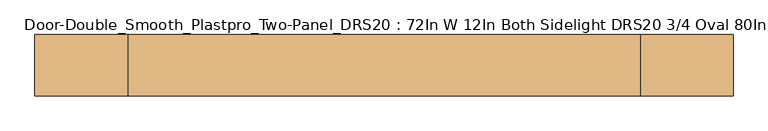
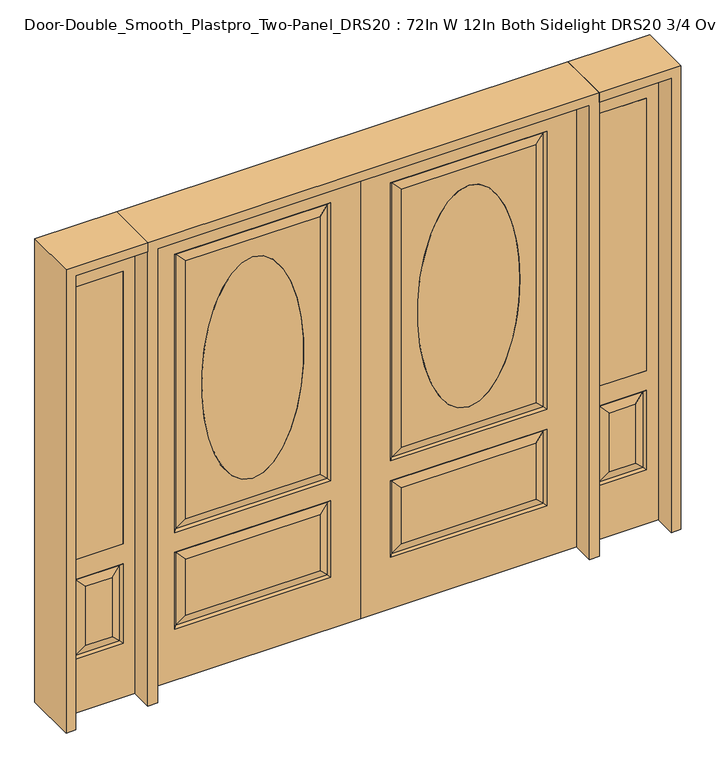
"""IFC4 building model written with IfcOpenShell, lengths in millimetres: door geometry, Door-Double_Smooth_Plastpro_Two-Panel_DRS20 : 72In W 12In Both Sidelight DRS20 3/4 Oval 80In - Smooth."""

from ifc_helpers import new_model, si_unit, point, frame, origin, place, context, project, spatial, polyline, ellipse_curve, trimmed, outline, extrude, faceted_brep, source, transform, mapped, element, save
from ifc_brep_helpers import plane_surface, extruded_surface, advanced_brep


def door_double_smooth_plastpro_two_panel_drs20_72in_w_12in_both_62e0e6ac(model_context):
    return source(origin(), model_context, "Body", "SolidModel", [
        advanced_brep(
        [(-457.2, 20.6375, 1778.0), (-457.2, 20.6375, 787.4), (-457.2, -20.6375, 1778.0), (-457.2, -20.6375, 787.4)],
        [
            (0, 1, ellipse_curve(frame((-457.2, 20.6375, 1282.7), z_axis=(0.0, 1.0, 0.0), x_axis=(0.0, 0.0, -1.0)), 495.3, 215.9)),
            (1, 0, ellipse_curve(frame((-457.2, 20.6375, 1282.7), z_axis=(0.0, 1.0, 0.0), x_axis=(0.0, 0.0, -1.0)), 495.3, 215.9)),
            (2, 3, ellipse_curve(frame((-457.2, -20.6375, 1282.7), z_axis=(0.0, -1.0, 0.0), x_axis=(0.0, 0.0, -1.0)), 495.3, 215.9)),
            (3, 2, ellipse_curve(frame((-457.2, -20.6375, 1282.7), z_axis=(0.0, -1.0, 0.0), x_axis=(0.0, 0.0, -1.0)), 495.3, 215.9)),
            (3, 1),
            (0, 2),
        ],
        [
            plane_surface(frame((-457.2, 20.6375, 787.4), z_axis=(0.0, 1.0, 0.0), x_axis=(1.0, 0.0, 0.0))),
            plane_surface(frame((-457.2, -20.6375, 787.4), z_axis=(0.0, -1.0, 0.0), x_axis=(-1.0, 0.0, 0.0))),
            extruded_surface(trimmed(ellipse_curve(frame((-457.2, 20.6375, 1282.7), z_axis=(0.0, 1.0, 0.0), x_axis=(0.0, 0.0, -1.0)), 495.3, 215.9), [point((-457.2, 20.6375, 1778.0))], [point((-457.2, 20.6375, 787.4))], True, "CARTESIAN"), (0.0, 41.275000000000006, 0.0), 41.275000000000006),
            extruded_surface(trimmed(ellipse_curve(frame((-457.2, 20.6375, 1282.7), z_axis=(0.0, 1.0, 0.0), x_axis=(0.0, 0.0, -1.0)), 495.3, 215.9), [point((-457.2, 20.6375, 787.4))], [point((-457.2, 20.6375, 1778.0))], True, "CARTESIAN"), (0.0, 41.275000000000006, 0.0), 41.275000000000006),
        ],
        [
            (0, [[1, 2]]),
            (1, [[3, 4]]),
            (2, [[5, -1, 6, -4]]),
            (3, [[-6, -2, -5, -3]]),
        ],
    ),
        advanced_brep(
        [(-127.0, -20.6375, 228.6), (-127.0, -20.6375, 571.5), (-135.9802561, -11.6572439, 562.5197439), (-135.9802561, -11.6572439, 237.5802561), (-778.4197439, -11.6572439, 237.5802561), (-787.4, -20.6375, 228.6), (-914.4, 20.6375, 0.0), (0.0, 20.6375, 0.0), (0.0, -20.6375, 0.0), (-914.4, -20.6375, 0.0), (-914.4, -20.6375, 2032.0), (0.0, -20.6375, 2032.0), (-787.4, -20.6375, 660.4), (-787.4, -20.6375, 1905.0), (-127.0, -20.6375, 1905.0), (-127.0, -20.6375, 660.4), (-787.4, -20.6375, 571.5), (-173.0375, -20.6375, 274.6375), (-173.0375, -20.6375, 525.4625), (-741.3625, -20.6375, 525.4625), (-741.3625, -20.6375, 274.6375), (-173.0375, -20.6375, 706.4375), (-173.0375, -20.6375, 1858.9625), (-741.3625, -20.6375, 1858.9625), (-741.3625, -20.6375, 706.4375), (-457.2, -20.6375, 787.4), (-457.2, -20.6375, 1778.0), (-127.0, 20.6375, 1905.0), (-127.0, 20.6375, 660.4), (-135.9802561, 11.6572439, 669.3802561), (-135.9802561, 11.6572439, 1896.0197439), (-787.4, 20.6375, 660.4), (-778.4197439, 11.6572439, 669.3802561), (-778.4197439, 11.6572439, 1896.0197439), (-787.4, 20.6375, 1905.0), (-741.3625, 20.6375, 1858.9625), (-741.3625, 20.6375, 706.4375), (-173.0375, 20.6375, 706.4375), (-173.0375, 20.6375, 1858.9625), (-778.4197439, 11.6572439, 562.5197439), (-787.4, 20.6375, 571.5), (-127.0, 20.6375, 571.5), (-135.9802561, 11.6572439, 562.5197439), (-741.3625, 20.6375, 525.4625), (-741.3625, 20.6375, 274.6375), (-778.4197439, 11.6572439, 237.5802561), (-135.9802561, 11.6572439, 237.5802561), (-173.0375, 20.6375, 274.6375), (-173.0375, 20.6375, 525.4625), (-457.2, 20.6375, 1778.0), (-457.2, 20.6375, 787.4), (-135.9802561, -11.6572439, 1896.0197439), (-135.9802561, -11.6572439, 669.3802561), (-914.4, 20.6375, 2032.0), (0.0, 20.6375, 2032.0), (-787.4, 20.6375, 228.6), (-127.0, 20.6375, 228.6), (-778.4197439, -11.6572439, 669.3802561), (-778.4197439, -11.6572439, 1896.0197439), (-778.4197439, -11.6572439, 562.5197439)],
        [
            (0, 1),
            (1, 2),
            (2, 3),
            (3, 0),
            (4, 5),
            (5, 0),
            (3, 4),
            (6, 7),
            (7, 8),
            (8, 9),
            (9, 6),
            (10, 9),
            (8, 11),
            (11, 10),
            (12, 13),
            (13, 14),
            (14, 15),
            (15, 12),
            (5, 16),
            (16, 1),
            (17, 18),
            (18, 19),
            (19, 20),
            (20, 17),
            (21, 22),
            (22, 23),
            (23, 24),
            (24, 21),
            (25, 26, ellipse_curve(frame((-457.2, -20.6375, 1282.7), z_axis=(0.0, 1.0, 0.0), x_axis=(0.0, 0.0, -1.0)), 495.3, 215.9)),
            (26, 25, ellipse_curve(frame((-457.2, -20.6375, 1282.7), z_axis=(0.0, 1.0, 0.0), x_axis=(0.0, 0.0, -1.0)), 495.3, 215.9)),
            (27, 28),
            (28, 29),
            (29, 30),
            (30, 27),
            (28, 31),
            (31, 32),
            (32, 29),
            (33, 32),
            (31, 34),
            (34, 33),
            (35, 36),
            (36, 32),
            (33, 35),
            (36, 37),
            (37, 29),
            (37, 38),
            (38, 30),
            (39, 40),
            (40, 41),
            (41, 42),
            (42, 39),
            (43, 44),
            (44, 45),
            (45, 39),
            (39, 43),
            (42, 46),
            (46, 47),
            (47, 48),
            (48, 42),
            (26, 49),
            (49, 50, ellipse_curve(frame((-457.2, 20.6375, 1282.7), z_axis=(0.0, 1.0, 0.0), x_axis=(0.0, 0.0, -1.0)), 495.3, 215.9)),
            (50, 25),
            (14, 51),
            (51, 52),
            (52, 15),
            (51, 22),
            (21, 52),
            (53, 6),
            (10, 53),
            (7, 54),
            (54, 11),
            (53, 54),
            (40, 55),
            (55, 56),
            (56, 41),
            (27, 34),
            (47, 44),
            (43, 48),
            (35, 38),
            (49, 50, ellipse_curve(frame((-457.2, 20.6375, 1282.7), z_axis=(0.0, -1.0, 0.0), x_axis=(0.0, 0.0, -1.0)), 495.3, 215.9)),
            (56, 46),
            (55, 45),
            (45, 46),
            (57, 12),
            (52, 57),
            (57, 58),
            (58, 13),
            (24, 57),
            (23, 58),
            (16, 59),
            (59, 2),
            (4, 59),
            (3, 17),
            (20, 4),
            (19, 59),
            (18, 2),
            (58, 51),
            (30, 33),
        ],
        [
            plane_surface(frame((-127.0, -20.6375, 228.6), z_axis=(-0.7071067811865462, -0.7071067811865489, 0.0), x_axis=(0.0, 0.0, 1.0))),
            plane_surface(frame((-787.4, -20.6375, 228.6), z_axis=(0.0, -0.7071067811865489, 0.7071067811865462), x_axis=(1.0, 0.0, 0.0))),
            plane_surface(frame((0.0, 20.6375, 0.0), z_axis=(0.0, 0.0, -1.0), x_axis=(-1.0, 0.0, 0.0))),
            plane_surface(frame((0.0, -20.6375, 2032.0), z_axis=(0.0, -1.0, 0.0), x_axis=(0.0, 0.0, -1.0))),
            plane_surface(frame((-127.0, 20.6375, 1905.0), z_axis=(-0.7071067811865436, 0.7071067811865516, 0.0), x_axis=(0.0, 0.0, -1.0))),
            plane_surface(frame((-127.0, 20.6375, 660.4), z_axis=(0.0, 0.7071067811865516, 0.7071067811865436), x_axis=(-1.0, 0.0, 0.0))),
            plane_surface(frame((-787.4, 20.6375, 660.4), z_axis=(0.7071067811865436, 0.7071067811865516, 0.0), x_axis=(0.0, 0.0, 1.0))),
            plane_surface(frame((-778.4197439, 11.6572439, 669.3802561), z_axis=(-0.2355178326930706, 0.9718700275672457, 0.0), x_axis=(0.0, 0.0, 1.0))),
            plane_surface(frame((-135.9802561, 11.6572439, 669.3802561), z_axis=(0.0, 0.9718700275672457, -0.2355178326930706), x_axis=(-1.0, 0.0, 0.0))),
            plane_surface(frame((-135.9802561, 11.6572439, 1896.0197439), z_axis=(0.2355178326930706, 0.9718700275672457, 0.0), x_axis=(0.0, 0.0, -1.0))),
            plane_surface(frame((-787.4, 20.6375, 571.5), z_axis=(0.0, 0.7071067811865542, -0.7071067811865409), x_axis=(1.0, 0.0, 0.0))),
            plane_surface(frame((-778.4197439, 11.6572439, 237.5802561), z_axis=(-0.2355178326930706, 0.9718700275672457, 0.0), x_axis=(0.0, 0.0, 1.0))),
            plane_surface(frame((-135.9802561, 11.6572439, 562.5197439), z_axis=(0.2355178326930706, 0.9718700275672457, 0.0), x_axis=(0.0, 0.0, -1.0))),
            extruded_surface(trimmed(ellipse_curve(frame((-457.2, 61.9125, 1282.7), z_axis=(0.0, 1.0, 0.0), x_axis=(0.0, 0.0, -1.0)), 495.3, 215.9), [point((-457.2, 61.9125, 1778.0))], [point((-457.2, 61.9125, 787.4))], True, "CARTESIAN"), (0.0, -41.275000000000006, 0.0), 41.275000000000006),
            plane_surface(frame((-127.0, -20.6375, 660.4), z_axis=(-0.7071067811865486, -0.7071067811865466, 0.0), x_axis=(0.0, 0.0, 1.0))),
            plane_surface(frame((-135.9802561, -11.6572439, 669.3802561), z_axis=(0.23551783269307167, -0.9718700275672454, 0.0), x_axis=(0.0, 0.0, 1.0))),
            plane_surface(frame((-914.4, -20.6375, 2032.0), z_axis=(-1.0, 0.0, 0.0), x_axis=(0.0, 0.0, -1.0))),
            plane_surface(frame((0.0, 20.6375, 2032.0), z_axis=(1.0, 0.0, 0.0), x_axis=(0.0, 0.0, -1.0))),
            plane_surface(frame((-914.4, 20.6375, 2032.0), z_axis=(0.0, 1.0, 0.0), x_axis=(0.0, 0.0, -1.0))),
            plane_surface(frame((-127.0, 20.6375, 571.5), z_axis=(-0.7071067811865409, 0.7071067811865542, 0.0), x_axis=(0.0, 0.0, -1.0))),
            plane_surface(frame((-127.0, 20.6375, 228.6), z_axis=(0.0, 0.7071067811865542, 0.7071067811865409), x_axis=(-1.0, 0.0, 0.0))),
            plane_surface(frame((-787.4, 20.6375, 228.6), z_axis=(0.7071067811865409, 0.7071067811865542, 0.0), x_axis=(0.0, 0.0, 1.0))),
            plane_surface(frame((-778.4197439, 11.6572439, 562.5197439), z_axis=(0.0, 0.9718700275672457, 0.2355178326930706), x_axis=(1.0, 0.0, 0.0))),
            plane_surface(frame((-135.9802561, 11.6572439, 237.5802561), z_axis=(0.0, 0.9718700275672457, -0.2355178326930706), x_axis=(-1.0, 0.0, 0.0))),
            extruded_surface(trimmed(ellipse_curve(frame((-457.2, 61.9125, 1282.7), z_axis=(0.0, 1.0, 0.0), x_axis=(0.0, 0.0, -1.0)), 495.3, 215.9), [point((-457.2, 61.9125, 787.4))], [point((-457.2, 61.9125, 1778.0))], True, "CARTESIAN"), (0.0, -41.275000000000006, 0.0), 41.275000000000006),
            plane_surface(frame((-787.4, -20.6375, 660.4), z_axis=(0.0, -0.7071067811865466, 0.7071067811865486), x_axis=(1.0, 0.0, 0.0))),
            plane_surface(frame((-787.4, -20.6375, 1905.0), z_axis=(0.7071067811865486, -0.7071067811865466, 0.0), x_axis=(0.0, 0.0, -1.0))),
            plane_surface(frame((-778.4197439, -11.6572439, 669.3802561), z_axis=(0.0, -0.9718700275672454, -0.23551783269307167), x_axis=(1.0, 0.0, 0.0))),
            plane_surface(frame((-778.4197439, -11.6572439, 1896.0197439), z_axis=(-0.23551783269307167, -0.9718700275672454, 0.0), x_axis=(0.0, 0.0, -1.0))),
            plane_surface(frame((-127.0, -20.6375, 571.5), z_axis=(0.0, -0.7071067811865489, -0.7071067811865462), x_axis=(-1.0, 0.0, 0.0))),
            plane_surface(frame((-787.4, -20.6375, 571.5), z_axis=(0.7071067811865462, -0.7071067811865489, 0.0), x_axis=(0.0, 0.0, -1.0))),
            plane_surface(frame((-778.4197439, -11.6572439, 237.5802561), z_axis=(0.0, -0.9718700275672454, -0.2355178326930719), x_axis=(1.0, 0.0, 0.0))),
            plane_surface(frame((-778.4197439, -11.6572439, 562.5197439), z_axis=(-0.2355178326930719, -0.9718700275672454, 0.0), x_axis=(0.0, 0.0, -1.0))),
            plane_surface(frame((-135.9802561, -11.6572439, 562.5197439), z_axis=(0.0, -0.9718700275672454, 0.2355178326930719), x_axis=(-1.0, 0.0, 0.0))),
            plane_surface(frame((-135.9802561, -11.6572439, 237.5802561), z_axis=(0.2355178326930719, -0.9718700275672454, 0.0), x_axis=(0.0, 0.0, 1.0))),
            plane_surface(frame((0.0, 20.6375, 2032.0), z_axis=(0.0, 0.0, 1.0), x_axis=(1.0, 0.0, 0.0))),
            plane_surface(frame((-127.0, -20.6375, 1905.0), z_axis=(0.0, -0.7071067811865466, -0.7071067811865486), x_axis=(-1.0, 0.0, 0.0))),
            plane_surface(frame((-135.9802561, -11.6572439, 1896.0197439), z_axis=(0.0, -0.9718700275672454, 0.23551783269307167), x_axis=(-1.0, 0.0, 0.0))),
            plane_surface(frame((-787.4, 20.6375, 1905.0), z_axis=(0.0, 0.7071067811865516, -0.7071067811865436), x_axis=(1.0, 0.0, 0.0))),
            plane_surface(frame((-778.4197439, 11.6572439, 1896.0197439), z_axis=(0.0, 0.9718700275672457, 0.2355178326930706), x_axis=(1.0, 0.0, 0.0))),
        ],
        [
            (0, [[1, 2, 3, 4]]),
            (1, [[5, 6, -4, 7]]),
            (2, [[8, 9, 10, 11]]),
            (3, [[12, -10, 13, 14], [15, 16, 17, 18], [19, 20, -1, -6]]),
            (3, [[21, 22, 23, 24]]),
            (3, [[25, 26, 27, 28], [29, 30]]),
            (4, [[31, 32, 33, 34]]),
            (5, [[35, 36, 37, -32]]),
            (6, [[38, -36, 39, 40]]),
            (7, [[41, 42, -38, 43]]),
            (8, [[-37, -42, 44, 45]]),
            (9, [[-33, -45, 46, 47]]),
            (10, [[48, 49, 50, 51]]),
            (11, [[52, 53, 54, 55]]),
            (12, [[56, 57, 58, 59]]),
            (13, [[-30, 60, 61, 62]]),
            (14, [[-17, 63, 64, 65]]),
            (15, [[-64, 66, -25, 67]]),
            (16, [[68, -11, -12, 69]]),
            (17, [[-13, -9, 70, 71]]),
            (18, [[-70, -8, -68, 72], [73, 74, 75, -49], [-39, -35, -31, 76]]),
            (18, [[-58, 77, -52, 78]]),
            (18, [[-46, -44, -41, 79], [80, -61]]),
            (19, [[-75, 81, -56, -50]]),
            (20, [[-74, 82, 83, -81]]),
            (21, [[-54, -82, -73, -48]]),
            (22, [[-59, -78, -55, -51]]),
            (23, [[-83, -53, -77, -57]]),
            (24, [[-80, -60, -29, -62]]),
            (25, [[84, -18, -65, 85]]),
            (26, [[86, 87, -15, -84]]),
            (27, [[-67, -28, 88, -85]]),
            (28, [[-27, 89, -86, -88]]),
            (29, [[-20, 90, 91, -2]]),
            (30, [[92, -90, -19, -5]]),
            (31, [[93, -24, 94, -7]]),
            (32, [[-23, 95, -92, -94]]),
            (33, [[-91, -95, -22, 96]]),
            (34, [[-3, -96, -21, -93]]),
            (35, [[-69, -14, -71, -72]]),
            (36, [[-16, -87, 97, -63]]),
            (37, [[-97, -89, -26, -66]]),
            (38, [[-40, -76, -34, 98]]),
            (39, [[-47, -79, -43, -98]]),
        ],
    ),
        advanced_brep(
        [(457.2, 20.6375, 1778.0), (457.2, 20.6375, 787.4), (457.2, -20.6375, 1778.0), (457.2, -20.6375, 787.4)],
        [
            (0, 1, ellipse_curve(frame((457.2, 20.6375, 1282.7), z_axis=(0.0, 1.0, 0.0), x_axis=(0.0, 0.0, -1.0)), 495.3, 215.9)),
            (1, 0, ellipse_curve(frame((457.2, 20.6375, 1282.7), z_axis=(0.0, 1.0, 0.0), x_axis=(0.0, 0.0, -1.0)), 495.3, 215.9)),
            (2, 3, ellipse_curve(frame((457.2, -20.6375, 1282.7), z_axis=(0.0, -1.0, 0.0), x_axis=(0.0, 0.0, -1.0)), 495.3, 215.9)),
            (3, 2, ellipse_curve(frame((457.2, -20.6375, 1282.7), z_axis=(0.0, -1.0, 0.0), x_axis=(0.0, 0.0, -1.0)), 495.3, 215.9)),
            (2, 0),
            (1, 3),
        ],
        [
            plane_surface(frame((457.2, 20.6375, 787.4), z_axis=(0.0, 1.0, 0.0), x_axis=(-1.0, 0.0, 0.0))),
            plane_surface(frame((457.2, -20.6375, 787.4), z_axis=(0.0, -1.0, 0.0), x_axis=(1.0, 0.0, 0.0))),
            extruded_surface(trimmed(ellipse_curve(frame((457.2, 61.9125, 1282.7), z_axis=(0.0, -1.0, 0.0), x_axis=(0.0, 0.0, -1.0)), 495.3, 215.9), [point((457.2, 61.9125, 1778.0))], [point((457.2, 61.9125, 787.4))], True, "CARTESIAN"), (0.0, -41.275000000000006, 0.0), 41.275000000000006),
            extruded_surface(trimmed(ellipse_curve(frame((457.2, 61.9125, 1282.7), z_axis=(0.0, -1.0, 0.0), x_axis=(0.0, 0.0, -1.0)), 495.3, 215.9), [point((457.2, 61.9125, 787.4))], [point((457.2, 61.9125, 1778.0))], True, "CARTESIAN"), (0.0, -41.275000000000006, 0.0), 41.275000000000006),
        ],
        [
            (0, [[1, 2]]),
            (1, [[3, 4]]),
            (2, [[-3, 5, -2, 6]]),
            (3, [[-4, -6, -1, -5]]),
        ],
    ),
        advanced_brep(
        [(127.0, -20.6375, 228.6), (135.9802561, -11.6572439, 237.5802561), (135.9802561, -11.6572439, 562.5197439), (127.0, -20.6375, 571.5), (778.4197439, -11.6572439, 237.5802561), (787.4, -20.6375, 228.6), (914.4, 20.6375, 0.0), (914.4, -20.6375, 0.0), (0.0, -20.6375, 0.0), (0.0, 20.6375, 0.0), (173.0375, -20.6375, 706.4375), (741.3625, -20.6375, 706.4375), (741.3625, -20.6375, 1858.9625), (173.0375, -20.6375, 1858.9625), (457.2, -20.6375, 787.4), (457.2, -20.6375, 1778.0), (173.0375, -20.6375, 274.6375), (741.3625, -20.6375, 274.6375), (741.3625, -20.6375, 525.4625), (173.0375, -20.6375, 525.4625), (914.4, -20.6375, 2032.0), (0.0, -20.6375, 2032.0), (787.4, -20.6375, 660.4), (127.0, -20.6375, 660.4), (127.0, -20.6375, 1905.0), (787.4, -20.6375, 1905.0), (787.4, -20.6375, 571.5), (127.0, 20.6375, 1905.0), (135.9802561, 11.6572439, 1896.0197439), (135.9802561, 11.6572439, 669.3802561), (127.0, 20.6375, 660.4), (778.4197439, 11.6572439, 669.3802561), (787.4, 20.6375, 660.4), (778.4197439, 11.6572439, 1896.0197439), (787.4, 20.6375, 1905.0), (741.3625, 20.6375, 1858.9625), (741.3625, 20.6375, 706.4375), (173.0375, 20.6375, 706.4375), (173.0375, 20.6375, 1858.9625), (778.4197439, 11.6572439, 562.5197439), (135.9802561, 11.6572439, 562.5197439), (127.0, 20.6375, 571.5), (787.4, 20.6375, 571.5), (741.3625, 20.6375, 525.4625), (778.4197439, 11.6572439, 237.5802561), (741.3625, 20.6375, 274.6375), (173.0375, 20.6375, 525.4625), (173.0375, 20.6375, 274.6375), (135.9802561, 11.6572439, 237.5802561), (457.2, 20.6375, 787.4), (457.2, 20.6375, 1778.0), (135.9802561, -11.6572439, 669.3802561), (135.9802561, -11.6572439, 1896.0197439), (914.4, 20.6375, 2032.0), (0.0, 20.6375, 2032.0), (127.0, 20.6375, 228.6), (787.4, 20.6375, 228.6), (778.4197439, -11.6572439, 669.3802561), (778.4197439, -11.6572439, 1896.0197439), (778.4197439, -11.6572439, 562.5197439)],
        [
            (0, 1),
            (1, 2),
            (2, 3),
            (3, 0),
            (4, 1),
            (0, 5),
            (5, 4),
            (6, 7),
            (7, 8),
            (8, 9),
            (9, 6),
            (10, 11),
            (11, 12),
            (12, 13),
            (13, 10),
            (14, 15, ellipse_curve(frame((457.2, -20.6375, 1282.7), z_axis=(0.0, 1.0, 0.0), x_axis=(0.0, 0.0, -1.0)), 495.3, 215.9)),
            (15, 14, ellipse_curve(frame((457.2, -20.6375, 1282.7), z_axis=(0.0, 1.0, 0.0), x_axis=(0.0, 0.0, -1.0)), 495.3, 215.9)),
            (16, 17),
            (17, 18),
            (18, 19),
            (19, 16),
            (20, 21),
            (21, 8),
            (7, 20),
            (22, 23),
            (23, 24),
            (24, 25),
            (25, 22),
            (3, 26),
            (26, 5),
            (27, 28),
            (28, 29),
            (29, 30),
            (30, 27),
            (29, 31),
            (31, 32),
            (32, 30),
            (33, 34),
            (34, 32),
            (31, 33),
            (35, 33),
            (31, 36),
            (36, 35),
            (29, 37),
            (37, 36),
            (28, 38),
            (38, 37),
            (39, 40),
            (40, 41),
            (41, 42),
            (42, 39),
            (43, 39),
            (39, 44),
            (44, 45),
            (45, 43),
            (40, 46),
            (46, 47),
            (47, 48),
            (48, 40),
            (14, 49),
            (49, 50, ellipse_curve(frame((457.2, 20.6375, 1282.7), z_axis=(0.0, 1.0, 0.0), x_axis=(0.0, 0.0, -1.0)), 495.3, 215.9)),
            (50, 15),
            (23, 51),
            (51, 52),
            (52, 24),
            (51, 10),
            (13, 52),
            (53, 20),
            (6, 53),
            (21, 54),
            (54, 9),
            (46, 43),
            (45, 47),
            (38, 35),
            (49, 50, ellipse_curve(frame((457.2, 20.6375, 1282.7), z_axis=(0.0, -1.0, 0.0), x_axis=(0.0, 0.0, -1.0)), 495.3, 215.9)),
            (54, 53),
            (41, 55),
            (55, 56),
            (56, 42),
            (34, 27),
            (48, 55),
            (48, 44),
            (44, 56),
            (57, 51),
            (22, 57),
            (25, 58),
            (58, 57),
            (57, 11),
            (58, 12),
            (2, 59),
            (59, 26),
            (59, 4),
            (4, 17),
            (16, 1),
            (59, 18),
            (2, 19),
            (52, 58),
            (33, 28),
        ],
        [
            plane_surface(frame((127.0, -20.6375, 228.6), z_axis=(0.7071067811865462, -0.7071067811865489, 0.0), x_axis=(0.0, 0.0, 1.0))),
            plane_surface(frame((787.4, -20.6375, 228.6), z_axis=(0.0, -0.7071067811865489, 0.7071067811865462), x_axis=(-1.0, 0.0, 0.0))),
            plane_surface(frame((0.0, 20.6375, 0.0), z_axis=(0.0, 0.0, -1.0), x_axis=(1.0, 0.0, 0.0))),
            plane_surface(frame((0.0, -20.6375, 2032.0), z_axis=(0.0, -1.0, 0.0), x_axis=(0.0, 0.0, -1.0))),
            plane_surface(frame((127.0, 20.6375, 1905.0), z_axis=(0.7071067811865436, 0.7071067811865516, 0.0), x_axis=(0.0, 0.0, -1.0))),
            plane_surface(frame((127.0, 20.6375, 660.4), z_axis=(0.0, 0.7071067811865516, 0.7071067811865436), x_axis=(1.0, 0.0, 0.0))),
            plane_surface(frame((787.4, 20.6375, 660.4), z_axis=(-0.7071067811865436, 0.7071067811865516, 0.0), x_axis=(0.0, 0.0, 1.0))),
            plane_surface(frame((778.4197439, 11.6572439, 669.3802561), z_axis=(0.2355178326930706, 0.9718700275672457, 0.0), x_axis=(0.0, 0.0, 1.0))),
            plane_surface(frame((135.9802561, 11.6572439, 669.3802561), z_axis=(0.0, 0.9718700275672457, -0.2355178326930706), x_axis=(1.0, 0.0, 0.0))),
            plane_surface(frame((135.9802561, 11.6572439, 1896.0197439), z_axis=(-0.2355178326930706, 0.9718700275672457, 0.0), x_axis=(0.0, 0.0, -1.0))),
            plane_surface(frame((787.4, 20.6375, 571.5), z_axis=(0.0, 0.7071067811865542, -0.7071067811865409), x_axis=(-1.0, 0.0, 0.0))),
            plane_surface(frame((778.4197439, 11.6572439, 237.5802561), z_axis=(0.2355178326930706, 0.9718700275672457, 0.0), x_axis=(0.0, 0.0, 1.0))),
            plane_surface(frame((135.9802561, 11.6572439, 562.5197439), z_axis=(-0.2355178326930706, 0.9718700275672457, 0.0), x_axis=(0.0, 0.0, -1.0))),
            extruded_surface(trimmed(ellipse_curve(frame((457.2, 20.6375, 1282.7), z_axis=(0.0, -1.0, 0.0), x_axis=(0.0, 0.0, -1.0)), 495.3, 215.9), [point((457.2, 20.6375, 1778.0))], [point((457.2, 20.6375, 787.4))], True, "CARTESIAN"), (0.0, 41.275000000000006, 0.0), 41.275000000000006),
            plane_surface(frame((127.0, -20.6375, 660.4), z_axis=(0.7071067811865486, -0.7071067811865466, 0.0), x_axis=(0.0, 0.0, 1.0))),
            plane_surface(frame((135.9802561, -11.6572439, 669.3802561), z_axis=(-0.23551783269307167, -0.9718700275672454, 0.0), x_axis=(0.0, 0.0, 1.0))),
            plane_surface(frame((914.4, -20.6375, 2032.0), z_axis=(1.0, 0.0, 0.0), x_axis=(0.0, 0.0, -1.0))),
            plane_surface(frame((0.0, 20.6375, 2032.0), z_axis=(-1.0, 0.0, 0.0), x_axis=(0.0, 0.0, -1.0))),
            plane_surface(frame((914.4, 20.6375, 2032.0), z_axis=(0.0, 1.0, 0.0), x_axis=(0.0, 0.0, -1.0))),
            plane_surface(frame((127.0, 20.6375, 571.5), z_axis=(0.7071067811865409, 0.7071067811865542, 0.0), x_axis=(0.0, 0.0, -1.0))),
            plane_surface(frame((127.0, 20.6375, 228.6), z_axis=(0.0, 0.7071067811865542, 0.7071067811865409), x_axis=(1.0, 0.0, 0.0))),
            plane_surface(frame((787.4, 20.6375, 228.6), z_axis=(-0.7071067811865409, 0.7071067811865542, 0.0), x_axis=(0.0, 0.0, 1.0))),
            plane_surface(frame((778.4197439, 11.6572439, 562.5197439), z_axis=(0.0, 0.9718700275672457, 0.2355178326930706), x_axis=(-1.0, 0.0, 0.0))),
            plane_surface(frame((135.9802561, 11.6572439, 237.5802561), z_axis=(0.0, 0.9718700275672457, -0.2355178326930706), x_axis=(1.0, 0.0, 0.0))),
            extruded_surface(trimmed(ellipse_curve(frame((457.2, 20.6375, 1282.7), z_axis=(0.0, -1.0, 0.0), x_axis=(0.0, 0.0, -1.0)), 495.3, 215.9), [point((457.2, 20.6375, 787.4))], [point((457.2, 20.6375, 1778.0))], True, "CARTESIAN"), (0.0, 41.275000000000006, 0.0), 41.275000000000006),
            plane_surface(frame((787.4, -20.6375, 660.4), z_axis=(0.0, -0.7071067811865466, 0.7071067811865486), x_axis=(-1.0, 0.0, 0.0))),
            plane_surface(frame((787.4, -20.6375, 1905.0), z_axis=(-0.7071067811865486, -0.7071067811865466, 0.0), x_axis=(0.0, 0.0, -1.0))),
            plane_surface(frame((778.4197439, -11.6572439, 669.3802561), z_axis=(0.0, -0.9718700275672454, -0.23551783269307167), x_axis=(-1.0, 0.0, 0.0))),
            plane_surface(frame((778.4197439, -11.6572439, 1896.0197439), z_axis=(0.23551783269307167, -0.9718700275672454, 0.0), x_axis=(0.0, 0.0, -1.0))),
            plane_surface(frame((127.0, -20.6375, 571.5), z_axis=(0.0, -0.7071067811865489, -0.7071067811865462), x_axis=(1.0, 0.0, 0.0))),
            plane_surface(frame((787.4, -20.6375, 571.5), z_axis=(-0.7071067811865462, -0.7071067811865489, 0.0), x_axis=(0.0, 0.0, -1.0))),
            plane_surface(frame((778.4197439, -11.6572439, 237.5802561), z_axis=(0.0, -0.9718700275672454, -0.2355178326930719), x_axis=(-1.0, 0.0, 0.0))),
            plane_surface(frame((778.4197439, -11.6572439, 562.5197439), z_axis=(0.2355178326930719, -0.9718700275672454, 0.0), x_axis=(0.0, 0.0, -1.0))),
            plane_surface(frame((135.9802561, -11.6572439, 562.5197439), z_axis=(0.0, -0.9718700275672454, 0.2355178326930719), x_axis=(1.0, 0.0, 0.0))),
            plane_surface(frame((135.9802561, -11.6572439, 237.5802561), z_axis=(-0.2355178326930719, -0.9718700275672454, 0.0), x_axis=(0.0, 0.0, 1.0))),
            plane_surface(frame((0.0, 20.6375, 2032.0), z_axis=(0.0, 0.0, 1.0), x_axis=(-1.0, 0.0, 0.0))),
            plane_surface(frame((127.0, -20.6375, 1905.0), z_axis=(0.0, -0.7071067811865466, -0.7071067811865486), x_axis=(1.0, 0.0, 0.0))),
            plane_surface(frame((135.9802561, -11.6572439, 1896.0197439), z_axis=(0.0, -0.9718700275672454, 0.23551783269307167), x_axis=(1.0, 0.0, 0.0))),
            plane_surface(frame((787.4, 20.6375, 1905.0), z_axis=(0.0, 0.7071067811865516, -0.7071067811865436), x_axis=(-1.0, 0.0, 0.0))),
            plane_surface(frame((778.4197439, 11.6572439, 1896.0197439), z_axis=(0.0, 0.9718700275672457, 0.2355178326930706), x_axis=(-1.0, 0.0, 0.0))),
        ],
        [
            (0, [[1, 2, 3, 4]]),
            (1, [[5, -1, 6, 7]]),
            (2, [[8, 9, 10, 11]]),
            (3, [[12, 13, 14, 15], [16, 17]]),
            (3, [[18, 19, 20, 21]]),
            (3, [[22, 23, -9, 24], [25, 26, 27, 28], [-6, -4, 29, 30]]),
            (4, [[31, 32, 33, 34]]),
            (5, [[-33, 35, 36, 37]]),
            (6, [[38, 39, -36, 40]]),
            (7, [[41, -40, 42, 43]]),
            (8, [[44, 45, -42, -35]]),
            (9, [[46, 47, -44, -32]]),
            (10, [[48, 49, 50, 51]]),
            (11, [[52, 53, 54, 55]]),
            (12, [[56, 57, 58, 59]]),
            (13, [[60, 61, 62, -16]]),
            (14, [[63, 64, 65, -26]]),
            (15, [[66, -15, 67, -64]]),
            (16, [[68, -24, -8, 69]]),
            (17, [[70, 71, -10, -23]]),
            (18, [[72, -55, 73, -57]]),
            (18, [[74, -43, -45, -47], [-61, 75]]),
            (18, [[76, -69, -11, -71], [-50, 77, 78, 79], [80, -34, -37, -39]]),
            (19, [[-49, -59, 81, -77]]),
            (20, [[-81, 82, 83, -78]]),
            (21, [[-51, -79, -83, -53]]),
            (22, [[-48, -52, -72, -56]]),
            (23, [[-58, -73, -54, -82]]),
            (24, [[-60, -17, -62, -75]]),
            (25, [[84, -63, -25, 85]]),
            (26, [[-85, -28, 86, 87]]),
            (27, [[-84, 88, -12, -66]]),
            (28, [[-88, -87, 89, -13]]),
            (29, [[-3, 90, 91, -29]]),
            (30, [[-7, -30, -91, 92]]),
            (31, [[-5, 93, -18, 94]]),
            (32, [[-93, -92, 95, -19]]),
            (33, [[96, -20, -95, -90]]),
            (34, [[-94, -21, -96, -2]]),
            (35, [[-76, -70, -22, -68]]),
            (36, [[-65, 97, -86, -27]]),
            (37, [[-67, -14, -89, -97]]),
            (38, [[98, -31, -80, -38]]),
            (39, [[-98, -41, -74, -46]]),
        ],
    ),
        extrude(outline(polyline([(1006.475, -20.6375), (1006.475, 20.6375), (1209.675, 20.6375), (1209.675, -20.6375), (1006.475, -20.6375)])), frame((0.0, 0.0, 685.8), z_axis=(0.0, 0.0, 1.0), x_axis=(1.0, 0.0, 0.0)), (0.0, 0.0, 1.0), 1219.2),
        faceted_brep([(1260.475, -20.6375, 0.0), (1260.475, -20.6375, 2032.0), (955.675, -20.6375, 2032.0), (955.675, -20.6375, 0.0), (1006.475, -20.6375, 685.8), (1006.475, -20.6375, 1905.0), (1209.675, -20.6375, 1905.0), (1209.675, -20.6375, 685.8), (1006.475, -20.6375, 241.3), (1006.475, -20.6375, 596.9), (1209.675, -20.6375, 596.9), (1209.675, -20.6375, 241.3), (1163.6375, -20.6375, 287.3375), (1163.6375, -20.6375, 550.8625), (1052.5125, -20.6375, 550.8625), (1052.5125, -20.6375, 287.3375), (955.675, 20.6375, 0.0), (1260.475, 20.6375, 0.0), (955.675, 20.6375, 2032.0), (1260.475, 20.6375, 2032.0), (1015.4552561, -11.6572439, 250.2802561), (1200.6947439, -11.6572439, 250.2802561), (1200.6947439, -11.6572439, 587.9197439), (1015.4552561, -11.6572439, 587.9197439), (1209.675, 20.6375, 685.8), (1006.475, 20.6375, 685.8), (1209.675, 20.6375, 1905.0), (1006.475, 20.6375, 1905.0), (1209.675, 20.6375, 241.3), (1209.675, 20.6375, 596.9), (1006.475, 20.6375, 596.9), (1006.475, 20.6375, 241.3), (1052.5125, 20.6375, 287.3375), (1052.5125, 20.6375, 550.8625), (1163.6375, 20.6375, 550.8625), (1163.6375, 20.6375, 287.3375), (1015.4552561, 11.6572439, 250.2802561), (1200.6947439, 11.6572439, 250.2802561), (1015.4552561, 11.6572439, 587.9197439), (1200.6947439, 11.6572439, 587.9197439)], [[[0, 1, 2, 3], [4, 5, 6, 7], [8, 9, 10, 11]], [[12, 13, 14, 15]], [[3, 16, 17, 0]], [[2, 18, 16, 3]], [[0, 17, 19, 1]], [[20, 8, 11, 21]], [[11, 10, 22, 21]], [[10, 9, 23, 22]], [[20, 23, 9, 8]], [[21, 12, 15, 20]], [[15, 14, 23, 20]], [[22, 23, 14, 13]], [[21, 22, 13, 12]], [[4, 7, 24, 25]], [[7, 6, 26, 24]], [[25, 27, 5, 4]], [[17, 16, 18, 19], [24, 26, 27, 25], [28, 29, 30, 31]], [[32, 33, 34, 35]], [[28, 31, 36, 37]], [[31, 30, 38, 36]], [[39, 38, 30, 29]], [[37, 39, 29, 28]], [[36, 32, 35, 37]], [[35, 34, 39, 37]], [[34, 33, 38, 39]], [[36, 38, 33, 32]], [[1, 19, 18, 2]], [[27, 26, 6, 5]]]),
        extrude(outline(polyline([(-1006.475, -20.6375), (-1209.675, -20.6375), (-1209.675, 20.6375), (-1006.475, 20.6375), (-1006.475, -20.6375)])), frame((0.0, 0.0, 685.8), z_axis=(0.0, 0.0, 1.0), x_axis=(1.0, 0.0, 0.0)), (0.0, 0.0, 1.0), 1219.2),
        faceted_brep([(-1260.475, -20.6375, 0.0), (-955.675, -20.6375, 0.0), (-955.675, -20.6375, 2032.0), (-1260.475, -20.6375, 2032.0), (-1006.475, -20.6375, 685.8), (-1209.675, -20.6375, 685.8), (-1209.675, -20.6375, 1905.0), (-1006.475, -20.6375, 1905.0), (-1006.475, -20.6375, 241.3), (-1209.675, -20.6375, 241.3), (-1209.675, -20.6375, 596.9), (-1006.475, -20.6375, 596.9), (-1163.6375, -20.6375, 287.3375), (-1052.5125, -20.6375, 287.3375), (-1052.5125, -20.6375, 550.8625), (-1163.6375, -20.6375, 550.8625), (-1260.475, 20.6375, 0.0), (-955.675, 20.6375, 0.0), (-955.675, 20.6375, 2032.0), (-1260.475, 20.6375, 2032.0), (-1015.4552561, -11.6572439, 250.2802561), (-1200.6947439, -11.6572439, 250.2802561), (-1200.6947439, -11.6572439, 587.9197439), (-1015.4552561, -11.6572439, 587.9197439), (-1006.475, 20.6375, 685.8), (-1209.675, 20.6375, 685.8), (-1209.675, 20.6375, 1905.0), (-1006.475, 20.6375, 1905.0), (-1209.675, 20.6375, 241.3), (-1006.475, 20.6375, 241.3), (-1006.475, 20.6375, 596.9), (-1209.675, 20.6375, 596.9), (-1052.5125, 20.6375, 287.3375), (-1163.6375, 20.6375, 287.3375), (-1163.6375, 20.6375, 550.8625), (-1052.5125, 20.6375, 550.8625), (-1200.6947439, 11.6572439, 250.2802561), (-1015.4552561, 11.6572439, 250.2802561), (-1015.4552561, 11.6572439, 587.9197439), (-1200.6947439, 11.6572439, 587.9197439)], [[[0, 1, 2, 3], [4, 5, 6, 7], [8, 9, 10, 11]], [[12, 13, 14, 15]], [[1, 0, 16, 17]], [[2, 1, 17, 18]], [[0, 3, 19, 16]], [[20, 21, 9, 8]], [[9, 21, 22, 10]], [[10, 22, 23, 11]], [[20, 8, 11, 23]], [[21, 20, 13, 12]], [[13, 20, 23, 14]], [[22, 15, 14, 23]], [[21, 12, 15, 22]], [[4, 24, 25, 5]], [[5, 25, 26, 6]], [[24, 4, 7, 27]], [[16, 19, 18, 17], [25, 24, 27, 26], [28, 29, 30, 31]], [[32, 33, 34, 35]], [[28, 36, 37, 29]], [[29, 37, 38, 30]], [[39, 31, 30, 38]], [[36, 28, 31, 39]], [[37, 36, 33, 32]], [[33, 36, 39, 34]], [[34, 39, 38, 35]], [[37, 32, 35, 38]], [[3, 2, 18, 19]], [[27, 7, 6, 26]]]),
        extrude(outline(polyline([(2032.0, -955.675), (2073.275, -955.675), (2073.275, -1301.75), (0.0, -1301.75), (0.0, -1260.475), (2032.0, -1260.475), (2032.0, -955.675)])), frame((0.0, -114.3, 0.0), z_axis=(0.0, 1.0, 0.0), x_axis=(0.0, 0.0, 1.0)), (0.0, 0.0, 1.0), 228.6),
        extrude(outline(polyline([(2073.275, -955.675), (0.0, -955.675), (0.0, -914.4), (2032.0, -914.4), (2032.0, 914.4), (0.0, 914.4), (0.0, 955.675), (2073.275, 955.675), (2073.275, -955.675)])), frame((0.0, -114.3, 0.0), z_axis=(0.0, 1.0, 0.0), x_axis=(0.0, 0.0, 1.0)), (0.0, 0.0, 1.0), 228.6),
        extrude(outline(polyline([(0.0, 1260.475), (0.0, 1301.75), (2073.275, 1301.75), (2073.275, 955.675), (2032.0, 955.675), (2032.0, 1260.475), (0.0, 1260.475)])), frame((0.0, -114.3, 0.0), z_axis=(0.0, 1.0, 0.0), x_axis=(0.0, 0.0, 1.0)), (0.0, 0.0, 1.0), 228.6),
    ])


if __name__ == "__main__":
    model = new_model("IFC4")
    model_context = context("Model", 3, world=origin())
    ifc_project = project(units=[si_unit("LENGTHUNIT", "METRE", prefix="MILLI")], contexts=[model_context])
    site = spatial("IfcSite", under=ifc_project)
    building = spatial("IfcBuilding", under=site)
    placement = place(None, origin())
    door_double_smooth_plastpro_two_panel_drs20_72in_w_12in_both_shape = door_double_smooth_plastpro_two_panel_drs20_72in_w_12in_both_62e0e6ac(model_context)
    element("IfcDoor", 1, ObjectType="Door-Double_Smooth_Plastpro_Two-Panel_DRS20 : 72In W 12In Both Sidelight DRS20 3/4 Oval 80In - Smooth", at=placement, inside=building, context=model_context, shape_type="MappedRepresentation", body=[
        mapped(door_double_smooth_plastpro_two_panel_drs20_72in_w_12in_both_shape, transform((0.0, 0.0, 0.0), x_axis=(1.0, 0.0, 0.0), y_axis=(0.0, 1.0, 0.0), z_axis=(0.0, 0.0, 1.0))),
    ])
    save(model, "model.ifc")
